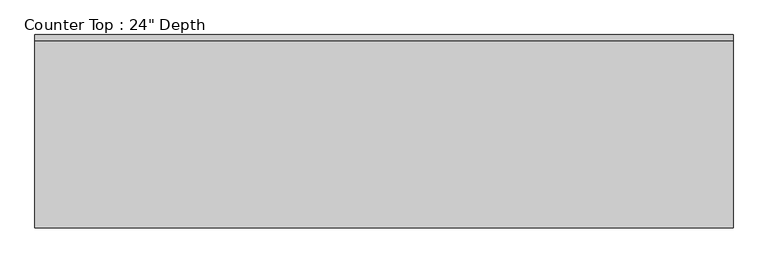
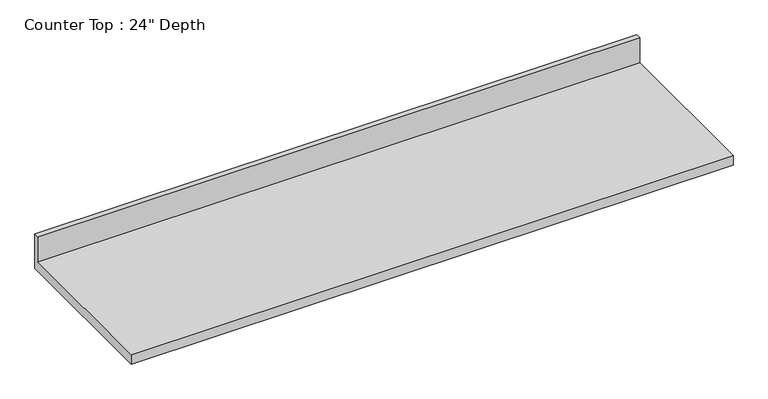
"""IFC4 building model written with IfcOpenShell, lengths in millimetres: furniture geometry."""

from ifc_helpers import new_model, si_unit, frame, origin, place, context, project, spatial, polyline, outline, extrude, source, transform, mapped, element, save


def furniture_573b8699(model_context):
    return source(origin(), model_context, "Body", "SweptSolid", [
        extrude(outline(polyline([(0.0, 1016.0), (0.0, 876.3), (-635.0, 876.3), (-635.0, 914.4), (-19.05, 914.4), (-19.05, 1016.0), (0.0, 1016.0)])), frame((-1200.4622951, 0.0, 0.0), z_axis=(1.0, 0.0, 0.0), x_axis=(0.0, 1.0, 0.0)), (0.0, 0.0, 1.0), 2293.744358),
    ])


if __name__ == "__main__":
    model = new_model("IFC4")
    model_context = context("Model", 3, world=origin())
    ifc_project = project(units=[si_unit("LENGTHUNIT", "METRE", prefix="MILLI")], contexts=[model_context])
    site = spatial("IfcSite", under=ifc_project)
    building = spatial("IfcBuilding", under=site)
    placement = place(None, origin())
    furniture_shape = furniture_573b8699(model_context)
    element("IfcFurniture", 1, ObjectType="Counter Top : 24\" Depth", at=placement, inside=building, context=model_context, shape_type="MappedRepresentation", body=[
        mapped(furniture_shape, transform((0.0, 0.0, 0.0), x_axis=(1.0, 0.0, 0.0), y_axis=(0.0, 1.0, 0.0), z_axis=(0.0, 0.0, 1.0))),
    ])
    save(model, "model.ifc")
